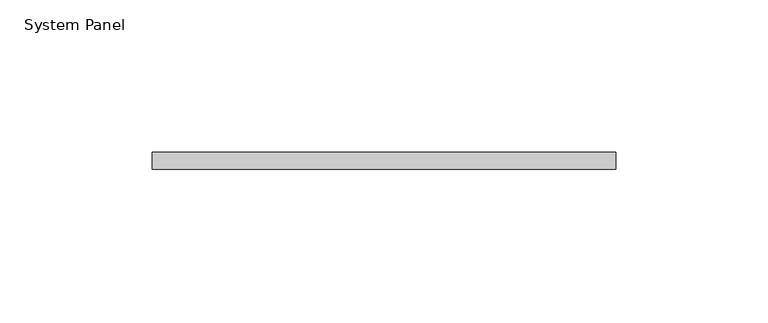
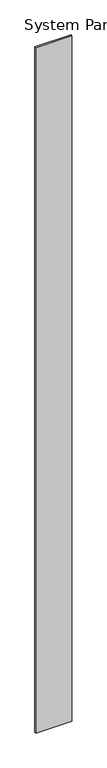
"""IFC4 building model written with IfcOpenShell, lengths in millimetres: plate geometry, System Panel."""

from ifc_helpers import new_model, si_unit, origin, origin_with_axes, place, context, project, spatial, polyline, outline, extrude, source, transform, mapped, element, save


def system_panel_7abde7c2(model_context):
    return source(origin(), model_context, "Body", "SweptSolid", [
        extrude(outline(polyline([(76.2, 7.9375), (-76.2, 7.9375), (-76.2, 13.49375), (76.2, 13.49375), (76.2, 7.9375)])), origin_with_axes(), (0.0, 0.0, 1.0), 3048.0),
    ])


if __name__ == "__main__":
    model = new_model("IFC4")
    model_context = context("Model", 3, world=origin())
    ifc_project = project(units=[si_unit("LENGTHUNIT", "METRE", prefix="MILLI")], contexts=[model_context])
    site = spatial("IfcSite", under=ifc_project)
    building = spatial("IfcBuilding", under=site)
    placement = place(None, origin())
    system_panel_shape = system_panel_7abde7c2(model_context)
    element("IfcPlate", 1, ObjectType="System Panel", at=placement, inside=building, context=model_context, shape_type="MappedRepresentation", body=[
        mapped(system_panel_shape, transform((0.0, 0.0, 0.0), x_axis=(1.0, 0.0, 0.0), y_axis=(0.0, 1.0, 0.0), z_axis=(0.0, 0.0, 1.0))),
    ])
    save(model, "model.ifc")
